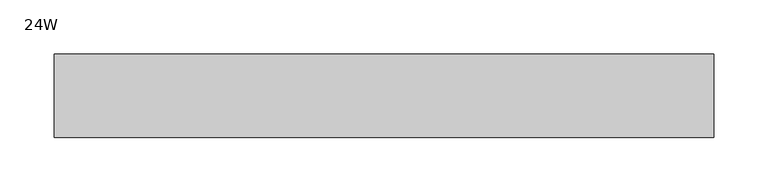
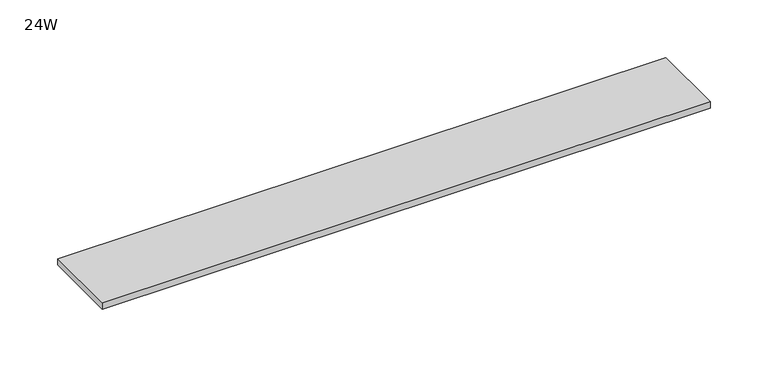
"""IFC4 building model written with IfcOpenShell, lengths in millimetres: furniture geometry, 24W."""

from ifc_helpers import new_model, si_unit, frame, origin, place, context, project, spatial, polyline, outline, extrude, source, transform, mapped, element, save


def furniture_24w_c49d962f(model_context):
    return source(origin(), model_context, "Body", "SweptSolid", [
        extrude(outline(polyline([(248.81205, 38.735), (248.81205, -38.735), (-360.78795, -38.735), (-360.78795, 38.735), (248.81205, 38.735)])), frame((0.0, 0.0, 1150.366), z_axis=(0.0, 0.0, 1.0), x_axis=(1.0, 0.0, 0.0)), (0.0, 0.0, 1.0), 6.858),
    ])


if __name__ == "__main__":
    model = new_model("IFC4")
    model_context = context("Model", 3, world=origin())
    ifc_project = project(units=[si_unit("LENGTHUNIT", "METRE", prefix="MILLI")], contexts=[model_context])
    site = spatial("IfcSite", under=ifc_project)
    building = spatial("IfcBuilding", under=site)
    placement = place(None, origin())
    furniture_24w_shape = furniture_24w_c49d962f(model_context)
    element("IfcFurniture", 1, ObjectType="24W", at=placement, inside=building, context=model_context, shape_type="MappedRepresentation", body=[
        mapped(furniture_24w_shape, transform((0.0, 0.0, 0.0), x_axis=(1.0, 0.0, 0.0), y_axis=(0.0, 1.0, 0.0), z_axis=(0.0, 0.0, 1.0))),
    ])
    save(model, "model.ifc")
